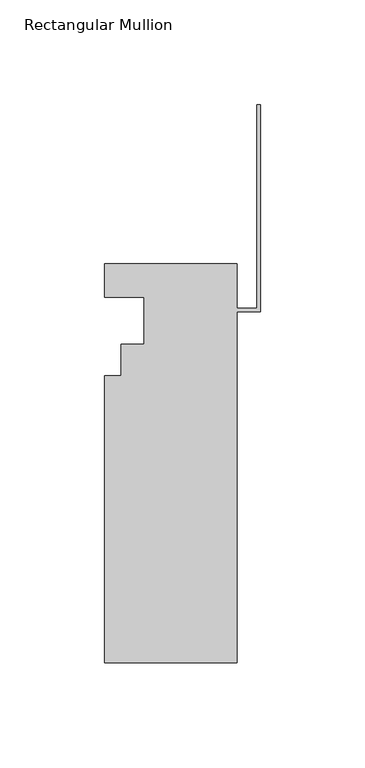
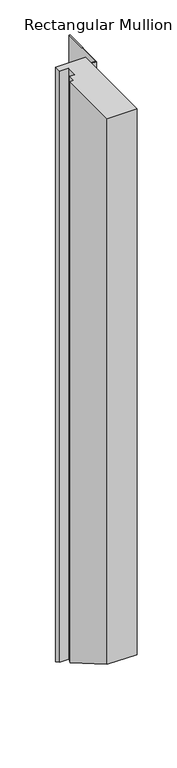
"""IFC4 building model written with IfcOpenShell, lengths in millimetres: member geometry, Rectangular Mullion."""

from ifc_helpers import new_model, si_unit, origin, place, context, project, spatial, faceted_brep, source, transform, mapped, element, save


def rectangular_mullion_97244e4f(model_context):
    return source(origin(), model_context, "Body", "Brep", [
        faceted_brep([(-11.113262, -190.4007812, 0.0), (-11.113262, -22.4813812, 0.0), (0.0, -22.4813812, 0.0), (0.0, 76.5843863, 0.0), (-1.5748, 76.5843863, 0.0), (-1.5748, -20.9065812, 0.0), (-11.113262, -20.9065812, 0.0), (-11.113262, 0.3532188, 0.0), (-74.613262, 0.3532188, 0.0), (-74.613262, -15.5217812, 0.0), (-55.563262, -15.5217812, 0.0), (-55.563262, -38.0007812, 0.0), (-66.688462, -38.0007813, 0.0), (-66.688462, -53.0629812, 0.0), (-74.613262, -53.0629812, 0.0), (-74.613262, -190.4007812, 0.0), (-11.113262, -190.4007812, -1226.0053278), (-11.113262, -22.4813812, -1322.9536386), (0.0, -22.4813812, -1322.9536386), (0.0, 76.5843863, -1380.1492862), (-1.5748, 76.5843863, -1380.1492862), (-1.5748, -20.9065812, -1323.8628498), (-11.113262, -20.9065812, -1323.8628498), (-11.113262, 0.3532188, -1336.1372011), (-74.613262, 0.3532188, -1336.1372011), (-74.613262, -15.5217812, -1326.9717655), (-55.563262, -15.5217812, -1326.9717655), (-55.563262, -38.0007812, -1313.9935088), (-66.688462, -38.0007813, -1313.9935088), (-66.688462, -53.0629812, -1305.2973436), (-74.613262, -53.0629812, -1305.2973436), (-74.613262, -190.4007812, -1226.0053278)], [[[0, 1, 2, 3, 4, 5, 6, 7, 8, 9, 10, 11, 12, 13, 14, 15]], [[1, 0, 16, 17]], [[2, 1, 17, 18]], [[3, 2, 18, 19]], [[4, 3, 19, 20]], [[5, 4, 20, 21]], [[6, 5, 21, 22]], [[7, 6, 22, 23]], [[8, 7, 23, 24]], [[9, 8, 24, 25]], [[10, 9, 25, 26]], [[11, 10, 26, 27]], [[12, 11, 27, 28]], [[13, 12, 28, 29]], [[14, 13, 29, 30]], [[15, 14, 30, 31]], [[0, 15, 31, 16]], [[16, 31, 30, 29, 28, 27, 26, 25, 24, 23, 22, 21, 20, 19, 18, 17]]]),
    ])


if __name__ == "__main__":
    model = new_model("IFC4")
    model_context = context("Model", 3, world=origin())
    ifc_project = project(units=[si_unit("LENGTHUNIT", "METRE", prefix="MILLI")], contexts=[model_context])
    site = spatial("IfcSite", under=ifc_project)
    building = spatial("IfcBuilding", under=site)
    placement = place(None, origin())
    rectangular_mullion_shape = rectangular_mullion_97244e4f(model_context)
    element("IfcMember", 1, ObjectType="Rectangular Mullion", at=placement, inside=building, context=model_context, shape_type="MappedRepresentation", body=[
        mapped(rectangular_mullion_shape, transform((0.0, 0.0, 0.0), x_axis=(1.0, 0.0, 0.0), y_axis=(0.0, 1.0, 0.0), z_axis=(0.0, 0.0, 1.0))),
    ])
    save(model, "model.ifc")
